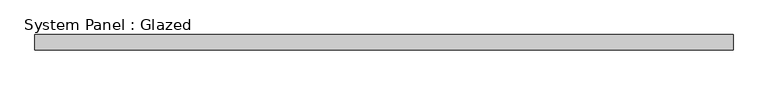
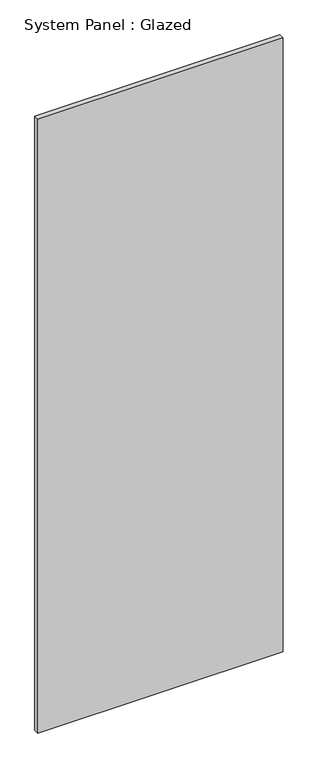
"""IFC4 building model written with IfcOpenShell, lengths in millimetres: plate geometry, System Panel : Glazed."""

from ifc_helpers import new_model, si_unit, origin, origin_with_axes, place, context, project, spatial, polyline, outline, extrude, source, transform, mapped, element, save


def system_panel_glazed_1b0541c7(model_context):
    return source(origin(), model_context, "Body", "SweptSolid", [
        extrude(outline(polyline([(582.794382, 19.05), (-582.794382, 19.05), (-582.794382, 44.45), (582.794382, 44.45), (582.794382, 19.05)])), origin_with_axes(), (0.0, 0.0, 1.0), 3086.1),
    ])


if __name__ == "__main__":
    model = new_model("IFC4")
    model_context = context("Model", 3, world=origin())
    ifc_project = project(units=[si_unit("LENGTHUNIT", "METRE", prefix="MILLI")], contexts=[model_context])
    site = spatial("IfcSite", under=ifc_project)
    building = spatial("IfcBuilding", under=site)
    placement = place(None, origin())
    system_panel_glazed_shape = system_panel_glazed_1b0541c7(model_context)
    element("IfcPlate", 1, ObjectType="System Panel : Glazed", at=placement, inside=building, context=model_context, shape_type="MappedRepresentation", body=[
        mapped(system_panel_glazed_shape, transform((0.0, 0.0, 0.0), x_axis=(1.0, 0.0, 0.0), y_axis=(0.0, 1.0, 0.0), z_axis=(0.0, 0.0, 1.0))),
    ])
    save(model, "model.ifc")
